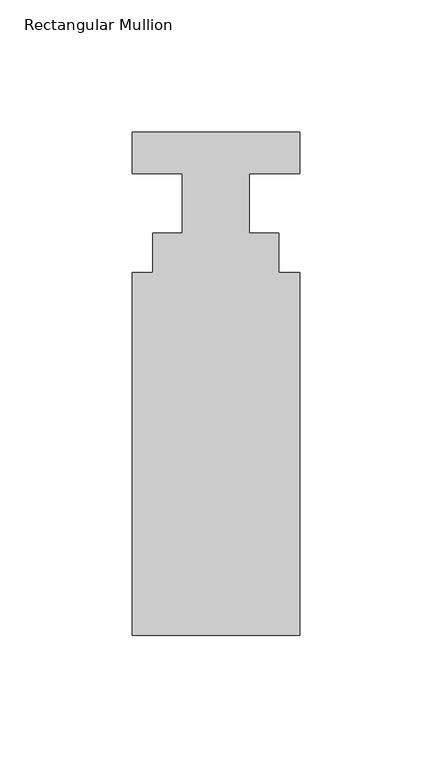
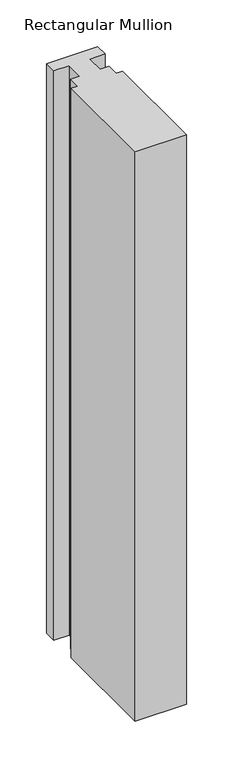
"""IFC4 building model written with IfcOpenShell, lengths in millimetres: member geometry, Rectangular Mullion."""

from ifc_helpers import new_model, si_unit, frame, origin, place, context, project, spatial, polyline, outline, extrude, source, transform, mapped, element, save


def rectangular_mullion_78d6d16d(model_context):
    return source(origin(), model_context, "Body", "SweptSolid", [
        extrude(outline(polyline([(31.75, -53.0629813), (31.75, -190.4007812), (-31.75, -190.4007812), (-31.75, -53.0629813), (-23.8252, -53.0629813), (-23.8252, -38.0007812), (-12.7, -38.0007812), (-12.7, -15.5217812), (-31.75, -15.5217812), (-31.75, 0.3278188), (31.75, 0.3278188), (31.75, -15.5217812), (12.7, -15.5217812), (12.7, -38.0007812), (23.8252, -38.0007812), (23.8252, -53.0629813), (31.75, -53.0629813)])), frame((0.0, 0.0, -746.2855689), z_axis=(0.0, 0.0, 1.0), x_axis=(1.0, 0.0, 0.0)), (0.0, 0.0, 1.0), 746.2855689),
    ])


if __name__ == "__main__":
    model = new_model("IFC4")
    model_context = context("Model", 3, world=origin())
    ifc_project = project(units=[si_unit("LENGTHUNIT", "METRE", prefix="MILLI")], contexts=[model_context])
    site = spatial("IfcSite", under=ifc_project)
    building = spatial("IfcBuilding", under=site)
    placement = place(None, origin())
    rectangular_mullion_shape = rectangular_mullion_78d6d16d(model_context)
    element("IfcMember", 1, ObjectType="Rectangular Mullion", at=placement, inside=building, context=model_context, shape_type="MappedRepresentation", body=[
        mapped(rectangular_mullion_shape, transform((0.0, 0.0, 0.0), x_axis=(1.0, 0.0, 0.0), y_axis=(0.0, 1.0, 0.0), z_axis=(0.0, 0.0, 1.0))),
    ])
    save(model, "model.ifc")
